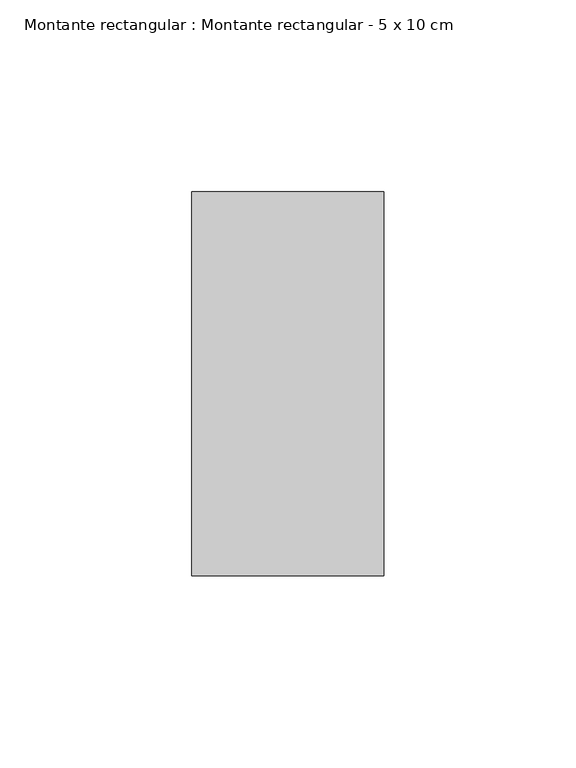
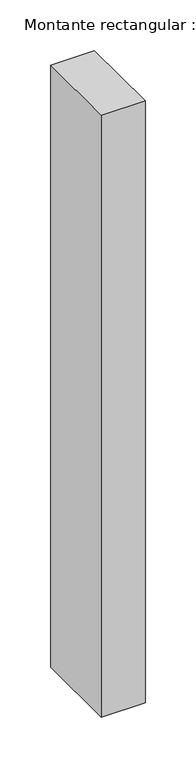
"""IFC4 building model written with IfcOpenShell, lengths in millimetres: member geometry, Montante rectangular : Montante rectangular - 5 x 10 cm."""

from ifc_helpers import new_model, si_unit, frame, origin, place, context, project, spatial, polyline, outline, extrude, source, transform, mapped, element, save


def montante_rectangular_montante_rectangular_5_x_10_cm_5c18bf1c(model_context):
    return source(origin(), model_context, "Body", "SweptSolid", [
        extrude(outline(polyline([(0.0, 50.0), (0.0, -50.0), (-50.0, -50.0), (-50.0, 50.0), (0.0, 50.0)])), frame((0.0, 0.0, -725.9568416), z_axis=(0.0, 0.0, 1.0), x_axis=(1.0, 0.0, 0.0)), (0.0, 0.0, 1.0), 725.9568416),
    ])


if __name__ == "__main__":
    model = new_model("IFC4")
    model_context = context("Model", 3, world=origin())
    ifc_project = project(units=[si_unit("LENGTHUNIT", "METRE", prefix="MILLI")], contexts=[model_context])
    site = spatial("IfcSite", under=ifc_project)
    building = spatial("IfcBuilding", under=site)
    placement = place(None, origin())
    montante_rectangular_montante_rectangular_5_x_10_cm_shape = montante_rectangular_montante_rectangular_5_x_10_cm_5c18bf1c(model_context)
    element("IfcMember", 1, ObjectType="Montante rectangular : Montante rectangular - 5 x 10 cm", at=placement, inside=building, context=model_context, shape_type="MappedRepresentation", body=[
        mapped(montante_rectangular_montante_rectangular_5_x_10_cm_shape, transform((0.0, 0.0, 0.0), x_axis=(1.0, 0.0, 0.0), y_axis=(0.0, 1.0, 0.0), z_axis=(0.0, 0.0, 1.0))),
    ])
    save(model, "model.ifc")
